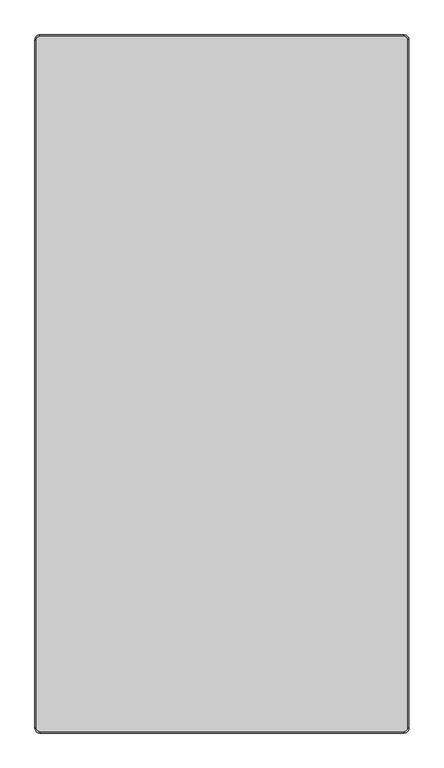
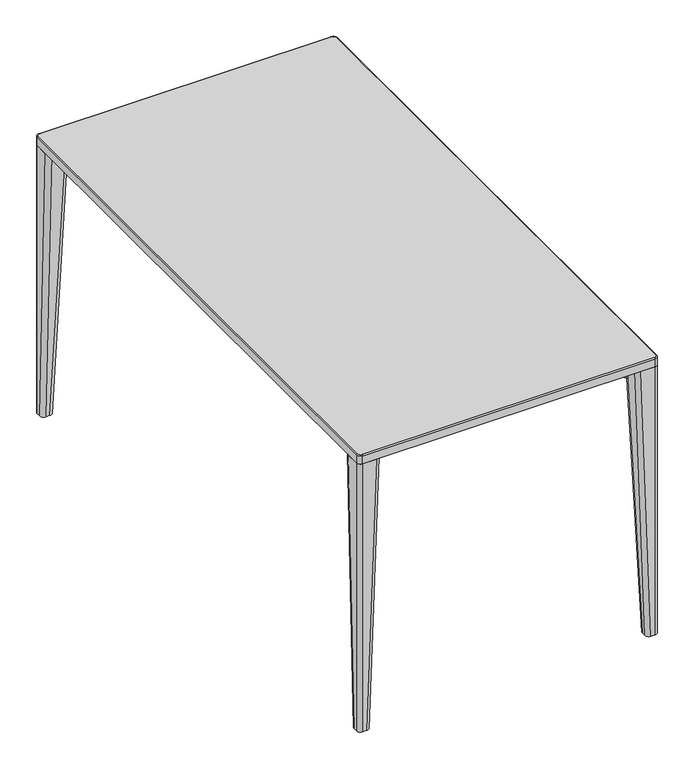
"""IFC4 building model written with IfcOpenShell, lengths in millimetres: furniture geometry."""

from ifc_helpers import new_model, si_unit, point, frame, frame_2d, origin, place, context, project, spatial, polyline, circle_curve, ellipse_curve, trimmed, segment, composite_curve, outline, extrude, source, transform, mapped, element, save
from ifc_brep_helpers import plane_surface, cylinder_surface, revolved_surface, extruded_surface, advanced_brep


def furniture_5aa42dce(model_context):
    return source(origin(), model_context, "Body", "SolidModel", [
        advanced_brep(
        [(-372.0, -690.0, 730.0), (-365.0, -697.0, 730.0), (365.0, -697.0, 730.0), (372.0, -690.0, 730.0), (372.0, 690.0, 730.0), (365.0, 697.0, 730.0), (-365.0, 697.0, 730.0), (-372.0, 690.0, 730.0), (365.0, 700.0, 707.0), (375.0, 690.0, 707.0), (375.0, -690.0, 707.0), (365.0, -700.0, 707.0), (-365.0, -700.0, 707.0), (-375.0, -690.0, 707.0), (-375.0, 690.0, 707.0), (-365.0, 700.0, 707.0), (-230.0, -540.0, 707.0), (-350.0, -540.0, 707.0), (-365.0, -555.0, 707.0), (-365.0, -675.0, 707.0), (-350.0, -690.0, 707.0), (-230.0, -690.0, 707.0), (-215.0, -675.0, 707.0), (-215.0, -555.0, 707.0), (230.0, -540.0, 707.0), (215.0, -555.0, 707.0), (215.0, -675.0, 707.0), (230.0, -690.0, 707.0), (350.0, -690.0, 707.0), (365.0, -675.0, 707.0), (365.0, -555.0, 707.0), (350.0, -540.0, 707.0), (-230.0, 540.0, 707.0), (-215.0, 555.0, 707.0), (-215.0, 675.0, 707.0), (-230.0, 690.0, 707.0), (-350.0, 690.0, 707.0), (-365.0, 675.0, 707.0), (-365.0, 555.0, 707.0), (-350.0, 540.0, 707.0), (230.0, 540.0, 707.0), (350.0, 540.0, 707.0), (365.0, 555.0, 707.0), (365.0, 675.0, 707.0), (350.0, 690.0, 707.0), (230.0, 690.0, 707.0), (215.0, 675.0, 707.0), (215.0, 555.0, 707.0), (-365.0, 700.0, 727.0), (365.0, 700.0, 727.0), (-375.0, -690.0, 727.0000026), (-375.0, 690.0, 727.0), (365.0, -700.0, 727.0), (-365.0, -700.0, 727.0), (375.0, 690.0, 727.0), (375.0, -690.0, 727.0), (-230.0, -540.0, 710.5), (-215.0, -555.0, 710.5), (-215.0, -675.0, 710.5), (-230.0, -690.0, 710.5), (-350.0, -690.0, 710.5), (-365.0, -675.0, 710.5), (-365.0, -555.0, 710.5), (-350.0, -540.0, 710.5), (230.0, -540.0, 710.5), (350.0, -540.0, 710.5), (365.0, -555.0, 710.5), (365.0, -675.0, 710.5), (350.0, -690.0, 710.5), (230.0, -690.0, 710.5), (215.0, -675.0, 710.5), (215.0, -555.0, 710.5), (-230.0, 540.0, 710.5), (-350.0, 540.0, 710.5), (-365.0, 555.0, 710.5), (-365.0, 675.0, 710.5), (-350.0, 690.0, 710.5), (-230.0, 690.0, 710.5), (-215.0, 675.0, 710.5), (-215.0, 555.0, 710.5), (230.0, 540.0, 710.5), (215.0, 555.0, 710.5), (215.0, 675.0, 710.5), (230.0, 690.0, 710.5), (350.0, 690.0, 710.5), (365.0, 675.0, 710.5), (365.0, 555.0, 710.5), (350.0, 540.0, 710.5)],
        [
            (0, 1, circle_curve(frame((-365.0, -690.0, 730.0), z_axis=(0.0, 0.0, 1.0), x_axis=(-1.0, 0.0, 0.0)), 7.0)),
            (1, 2),
            (2, 3, circle_curve(frame((365.0, -690.0, 730.0), z_axis=(0.0, 0.0, 1.0), x_axis=(0.0, -1.0, 0.0)), 7.0)),
            (3, 4),
            (4, 5, circle_curve(frame((365.0, 690.0, 730.0), z_axis=(0.0, 0.0, 1.0), x_axis=(1.0, 0.0, 0.0)), 7.0)),
            (5, 6),
            (6, 7, circle_curve(frame((-365.0, 690.0, 730.0), z_axis=(0.0, 0.0, 1.0), x_axis=(0.0, 1.0, 0.0)), 7.0)),
            (7, 0),
            (8, 9, circle_curve(frame((365.0, 690.0, 707.0), z_axis=(0.0, 0.0, -1.0), x_axis=(1.0, 0.0, 0.0)), 10.0)),
            (9, 10),
            (10, 11, circle_curve(frame((365.0, -690.0, 707.0), z_axis=(0.0, 0.0, -1.0), x_axis=(1.0, 0.0, 0.0)), 10.0)),
            (11, 12),
            (12, 13, circle_curve(frame((-365.0, -690.0, 707.0), z_axis=(0.0, 0.0, -1.0), x_axis=(1.0, 0.0, 0.0)), 10.0)),
            (13, 14),
            (14, 15, circle_curve(frame((-365.0, 690.0, 707.0), z_axis=(0.0, 0.0, -1.0), x_axis=(1.0, 0.0, 0.0)), 10.0)),
            (15, 8),
            (16, 17),
            (17, 18, circle_curve(frame((-350.0, -555.0, 707.0), z_axis=(0.0, 0.0, 1.0), x_axis=(-0.7071067811866044, 0.7071067811864906, 0.0)), 15.0)),
            (18, 19),
            (19, 20, circle_curve(frame((-350.0, -675.0, 707.0), z_axis=(0.0, 0.0, 1.0), x_axis=(-0.7071067811866044, 0.7071067811864906, 0.0)), 15.0)),
            (20, 21),
            (21, 22, circle_curve(frame((-230.0, -675.0, 707.0), z_axis=(0.0, 0.0, 1.0), x_axis=(-0.7071067811866044, 0.7071067811864906, 0.0)), 15.0)),
            (22, 23),
            (23, 16, circle_curve(frame((-230.0, -555.0, 707.0), z_axis=(0.0, 0.0, 1.0), x_axis=(-0.7071067811866044, 0.7071067811864906, 0.0)), 15.0)),
            (24, 25, circle_curve(frame((230.0, -555.0, 707.0), z_axis=(0.0, 0.0, 1.0), x_axis=(-0.7071067811866044, 0.7071067811864906, 0.0)), 15.0)),
            (25, 26),
            (26, 27, circle_curve(frame((230.0, -675.0, 707.0), z_axis=(0.0, 0.0, 1.0), x_axis=(-0.7071067811866044, 0.7071067811864906, 0.0)), 15.0)),
            (27, 28),
            (28, 29, circle_curve(frame((350.0, -675.0, 707.0), z_axis=(0.0, 0.0, 1.0), x_axis=(-0.7071067811866044, 0.7071067811864906, 0.0)), 15.0)),
            (29, 30),
            (30, 31, circle_curve(frame((350.0, -555.0, 707.0), z_axis=(0.0, 0.0, 1.0), x_axis=(-0.7071067811866044, 0.7071067811864906, 0.0)), 15.0)),
            (31, 24),
            (32, 33, circle_curve(frame((-230.0, 555.0, 707.0), z_axis=(0.0, 0.0, 1.0), x_axis=(-0.7071067811866044, 0.7071067811864906, 0.0)), 15.0)),
            (33, 34),
            (34, 35, circle_curve(frame((-230.0, 675.0, 707.0), z_axis=(0.0, 0.0, 1.0), x_axis=(-0.7071067811866044, 0.7071067811864906, 0.0)), 15.0)),
            (35, 36),
            (36, 37, circle_curve(frame((-350.0, 675.0, 707.0), z_axis=(0.0, 0.0, 1.0), x_axis=(-0.7071067811866044, 0.7071067811864906, 0.0)), 15.0)),
            (37, 38),
            (38, 39, circle_curve(frame((-350.0, 555.0, 707.0), z_axis=(0.0, 0.0, 1.0), x_axis=(-0.7071067811866044, 0.7071067811864906, 0.0)), 15.0)),
            (39, 32),
            (40, 41),
            (41, 42, circle_curve(frame((350.0, 555.0, 707.0), z_axis=(0.0, 0.0, 1.0), x_axis=(-0.7071067811866044, 0.7071067811864906, 0.0)), 15.0)),
            (42, 43),
            (43, 44, circle_curve(frame((350.0, 675.0, 707.0), z_axis=(0.0, 0.0, 1.0), x_axis=(-0.7071067811866044, 0.7071067811864906, 0.0)), 15.0)),
            (44, 45),
            (45, 46, circle_curve(frame((230.0, 675.0, 707.0), z_axis=(0.0, 0.0, 1.0), x_axis=(-0.7071067811866044, 0.7071067811864906, 0.0)), 15.0)),
            (46, 47),
            (47, 40, circle_curve(frame((230.0, 555.0, 707.0), z_axis=(0.0, 0.0, 1.0), x_axis=(-0.7071067811866044, 0.7071067811864906, 0.0)), 15.0)),
            (15, 48),
            (48, 49),
            (49, 8),
            (13, 50),
            (50, 51),
            (51, 14),
            (11, 52),
            (52, 53),
            (53, 12),
            (9, 54),
            (54, 55),
            (55, 10),
            (51, 48, circle_curve(frame((-365.0, 690.0, 727.0), z_axis=(0.0, 0.0, -1.0), x_axis=(1.0, 0.0, 0.0)), 10.0)),
            (53, 50, circle_curve(frame((-365.0, -690.0, 727.0), z_axis=(0.0, 0.0, -1.0), x_axis=(1.0, 0.0, 0.0)), 10.0)),
            (55, 52, circle_curve(frame((365.0, -690.0, 727.0), z_axis=(0.0, 0.0, -1.0), x_axis=(1.0, 0.0, 0.0)), 10.0)),
            (49, 54, circle_curve(frame((365.0, 690.0, 727.0), z_axis=(0.0, 0.0, -1.0), x_axis=(1.0, 0.0, 0.0)), 10.0)),
            (53, 1, circle_curve(frame((-365.0, -697.0, 727.0), z_axis=(-1.0, 0.0, 0.0), x_axis=(0.0, 1.0, 0.0)), 3.0)),
            (0, 50, circle_curve(frame((-372.0, -690.0, 727.0), z_axis=(0.0, -1.0, 0.0), x_axis=(1.0, 0.0, 0.0)), 3.0)),
            (52, 2, circle_curve(frame((365.0, -697.0, 727.0), z_axis=(-1.0, 0.0, 0.0), x_axis=(0.0, 1.0, 0.0)), 3.0)),
            (55, 3, circle_curve(frame((372.0, -690.0, 727.0), z_axis=(0.0, -1.0, 0.0), x_axis=(-1.0, 0.0, 0.0)), 3.0)),
            (54, 4, circle_curve(frame((372.0, 690.0, 727.0), z_axis=(0.0, -1.0, 0.0), x_axis=(-1.0, 0.0, 0.0)), 3.0)),
            (49, 5, circle_curve(frame((365.0, 697.0, 727.0), z_axis=(1.0, 0.0, 0.0), x_axis=(0.0, -1.0, 0.0)), 3.0)),
            (48, 6, circle_curve(frame((-365.0, 697.0, 727.0), z_axis=(1.0, 0.0, 0.0), x_axis=(0.0, -1.0, 0.0)), 3.0)),
            (51, 7, circle_curve(frame((-372.0, 690.0, 727.0), z_axis=(0.0, 1.0, 0.0), x_axis=(1.0, 0.0, 0.0)), 3.0)),
            (56, 57, circle_curve(frame((-230.0, -555.0, 710.5), z_axis=(0.0, 0.0, -1.0), x_axis=(-0.7071067811866044, 0.7071067811864906, 0.0)), 15.0)),
            (57, 58),
            (58, 59, circle_curve(frame((-230.0, -675.0, 710.5), z_axis=(0.0, 0.0, -1.0), x_axis=(-0.7071067811866044, 0.7071067811864906, 0.0)), 15.0)),
            (59, 60),
            (60, 61, circle_curve(frame((-350.0, -675.0, 710.5), z_axis=(0.0, 0.0, -1.0), x_axis=(-0.7071067811866044, 0.7071067811864906, 0.0)), 15.0)),
            (61, 62),
            (62, 63, circle_curve(frame((-350.0, -555.0, 710.5), z_axis=(0.0, 0.0, -1.0), x_axis=(-0.7071067811866044, 0.7071067811864906, 0.0)), 15.0)),
            (63, 56),
            (64, 65),
            (65, 66, circle_curve(frame((350.0, -555.0, 710.5), z_axis=(0.0, 0.0, -1.0), x_axis=(-0.7071067811866044, 0.7071067811864906, 0.0)), 15.0)),
            (66, 67),
            (67, 68, circle_curve(frame((350.0, -675.0, 710.5), z_axis=(0.0, 0.0, -1.0), x_axis=(-0.7071067811866044, 0.7071067811864906, 0.0)), 15.0)),
            (68, 69),
            (69, 70, circle_curve(frame((230.0, -675.0, 710.5), z_axis=(0.0, 0.0, -1.0), x_axis=(-0.7071067811866044, 0.7071067811864906, 0.0)), 15.0)),
            (70, 71),
            (71, 64, circle_curve(frame((230.0, -555.0, 710.5), z_axis=(0.0, 0.0, -1.0), x_axis=(-0.7071067811866044, 0.7071067811864906, 0.0)), 15.0)),
            (72, 73),
            (73, 74, circle_curve(frame((-350.0, 555.0, 710.5), z_axis=(0.0, 0.0, -1.0), x_axis=(-0.7071067811866044, 0.7071067811864906, 0.0)), 15.0)),
            (74, 75),
            (75, 76, circle_curve(frame((-350.0, 675.0, 710.5), z_axis=(0.0, 0.0, -1.0), x_axis=(-0.7071067811866044, 0.7071067811864906, 0.0)), 15.0)),
            (76, 77),
            (77, 78, circle_curve(frame((-230.0, 675.0, 710.5), z_axis=(0.0, 0.0, -1.0), x_axis=(-0.7071067811866044, 0.7071067811864906, 0.0)), 15.0)),
            (78, 79),
            (79, 72, circle_curve(frame((-230.0, 555.0, 710.5), z_axis=(0.0, 0.0, -1.0), x_axis=(-0.7071067811866044, 0.7071067811864906, 0.0)), 15.0)),
            (80, 81, circle_curve(frame((230.0, 555.0, 710.5), z_axis=(0.0, 0.0, -1.0), x_axis=(-0.7071067811866044, 0.7071067811864906, 0.0)), 15.0)),
            (81, 82),
            (82, 83, circle_curve(frame((230.0, 675.0, 710.5), z_axis=(0.0, 0.0, -1.0), x_axis=(-0.7071067811866044, 0.7071067811864906, 0.0)), 15.0)),
            (83, 84),
            (84, 85, circle_curve(frame((350.0, 675.0, 710.5), z_axis=(0.0, 0.0, -1.0), x_axis=(-0.7071067811866044, 0.7071067811864906, 0.0)), 15.0)),
            (85, 86),
            (86, 87, circle_curve(frame((350.0, 555.0, 710.5), z_axis=(0.0, 0.0, -1.0), x_axis=(-0.7071067811866044, 0.7071067811864906, 0.0)), 15.0)),
            (87, 80),
            (63, 17),
            (16, 56),
            (62, 18),
            (61, 19),
            (60, 20),
            (59, 21),
            (58, 22),
            (57, 23),
            (71, 25),
            (24, 64),
            (70, 26),
            (69, 27),
            (68, 28),
            (67, 29),
            (66, 30),
            (65, 31),
            (79, 33),
            (32, 72),
            (78, 34),
            (77, 35),
            (76, 36),
            (75, 37),
            (74, 38),
            (73, 39),
            (87, 41),
            (40, 80),
            (86, 42),
            (85, 43),
            (84, 44),
            (83, 45),
            (82, 46),
            (81, 47),
        ],
        [
            plane_surface(frame((-250.0, 700.0, 730.0), z_axis=(0.0, 0.0, 1.0), x_axis=(-1.0, 0.0, 0.0))),
            plane_surface(frame((-250.0, 700.0, 707.0), z_axis=(0.0, 0.0, -1.0), x_axis=(1.0, 0.0, 0.0))),
            plane_surface(frame((365.0, 700.0, 730.0), z_axis=(0.0, 1.0, 0.0), x_axis=(0.0, 0.0, -1.0))),
            plane_surface(frame((-375.0, 690.0, 730.0), z_axis=(-1.0, 0.0, 0.0), x_axis=(0.0, 0.0, -1.0))),
            plane_surface(frame((-365.0, -700.0, 730.0), z_axis=(0.0, -1.0, 0.0), x_axis=(0.0, 0.0, -1.0))),
            plane_surface(frame((375.0, -690.0, 730.0), z_axis=(1.0, 0.0, 0.0), x_axis=(0.0, 0.0, -1.0))),
            cylinder_surface(frame((-365.0, 690.0, 707.0), z_axis=(0.0, 0.0, 1.0), x_axis=(1.0, 0.0, 0.0)), 10.0),
            cylinder_surface(frame((-365.0, -690.0, 707.0), z_axis=(0.0, 0.0, 1.0), x_axis=(1.0, 0.0, 0.0)), 10.0),
            cylinder_surface(frame((365.0, -690.0, 707.0), z_axis=(0.0, 0.0, 1.0), x_axis=(1.0, 0.0, 0.0)), 10.0),
            cylinder_surface(frame((365.0, 690.0, 707.0), z_axis=(0.0, 0.0, 1.0), x_axis=(1.0, 0.0, 0.0)), 10.0),
            revolved_surface(trimmed(ellipse_curve(frame((-372.0, -690.0, 727.0), z_axis=(0.0, 1.0, 0.0), x_axis=(1.0, 0.0, 0.0)), 3.0, 3.0), [point((-375.0, -690.0, 727.0))], [point((-372.0, -690.0, 730.0))], True, "CARTESIAN"), (-365.0, -690.0, 212.565852), (0.0, 0.0, 1.0)),
            cylinder_surface(frame((-365.0, -697.0, 727.0), z_axis=(1.0, 0.0, 0.0), x_axis=(0.0, 1.0, 0.0)), 3.0),
            revolved_surface(trimmed(ellipse_curve(frame((365.0, -697.0, 727.0), z_axis=(-1.0, 0.0, 0.0), x_axis=(0.0, 1.0, 0.0)), 3.0, 3.0), [point((365.0, -700.0, 727.0))], [point((365.0, -697.0, 730.0))], True, "CARTESIAN"), (365.0, -690.0, 212.565852), (0.0, 0.0, 1.0)),
            cylinder_surface(frame((372.0, -690.0, 727.0), z_axis=(0.0, 1.0, 0.0), x_axis=(-1.0, 0.0, 0.0)), 3.0),
            revolved_surface(trimmed(ellipse_curve(frame((372.0, 690.0, 727.0), z_axis=(0.0, -1.0, 0.0), x_axis=(-1.0, 0.0, 0.0)), 3.0, 3.0), [point((375.0, 690.0, 727.0))], [point((372.0, 690.0, 730.0))], True, "CARTESIAN"), (365.0, 690.0, 212.565852), (0.0, 0.0, 1.0)),
            cylinder_surface(frame((365.0, 697.0, 727.0), z_axis=(-1.0, 0.0, 0.0), x_axis=(0.0, -1.0, 0.0)), 3.0),
            revolved_surface(trimmed(ellipse_curve(frame((-365.0, 697.0, 727.0), z_axis=(1.0, 0.0, 0.0), x_axis=(0.0, -1.0, 0.0)), 3.0, 3.0), [point((-365.0, 700.0, 727.0))], [point((-365.0, 697.0, 730.0))], True, "CARTESIAN"), (-365.0, 690.0, 212.565852), (0.0, 0.0, 1.0)),
            cylinder_surface(frame((-372.0, 690.0, 727.0), z_axis=(0.0, -1.0, 0.0), x_axis=(1.0, 0.0, 0.0)), 3.0),
            plane_surface(frame((-325.0, -540.0, 710.5), z_axis=(0.0, 0.0, -1.0), x_axis=(-1.0, 0.0, 0.0))),
            plane_surface(frame((-230.0, -540.0, 710.5), z_axis=(0.0, -1.0, 0.0), x_axis=(0.0, 0.0, -1.0))),
            revolved_surface(polyline([(-360.6066017177991, -544.3933982822026, 710.5), (-360.6066017177991, -544.3933982822026, 707.0)]), (-350.0, -555.0, 689.2243474), (0.0, 0.0, 1.0)),
            plane_surface(frame((-365.0, -555.0, 710.5), z_axis=(1.0, 0.0, 0.0), x_axis=(0.0, 0.0, -1.0))),
            revolved_surface(polyline([(-360.6066017177991, -664.3933982822026, 710.5), (-360.6066017177991, -664.3933982822026, 707.0)]), (-350.0, -675.0, 689.2243474), (0.0, 0.0, 1.0)),
            plane_surface(frame((-350.0, -690.0, 710.5), z_axis=(0.0, 1.0, 0.0), x_axis=(0.0, 0.0, -1.0))),
            revolved_surface(polyline([(-240.60660171779907, -664.3933982822026, 710.5), (-240.60660171779907, -664.3933982822026, 707.0)]), (-230.0, -675.0, 689.2243474), (0.0, 0.0, 1.0)),
            plane_surface(frame((-215.0, -675.0, 710.5), z_axis=(-1.0, 0.0, 0.0), x_axis=(0.0, 0.0, -1.0))),
            revolved_surface(polyline([(-240.60660171779907, -544.3933982822026, 710.5), (-240.60660171779907, -544.3933982822026, 707.0)]), (-230.0, -555.0, 689.2243474), (0.0, 0.0, 1.0)),
            revolved_surface(polyline([(219.39339828220093, -544.3933982822026, 710.5), (219.39339828220093, -544.3933982822026, 707.0)]), (230.0, -555.0, 7.5), (0.0, 0.0, 1.0)),
            plane_surface(frame((215.0, -555.0, 710.5), z_axis=(1.0, 0.0, 0.0), x_axis=(0.0, 0.0, -1.0))),
            revolved_surface(polyline([(219.39339828220093, -664.3933982822026, 710.5), (219.39339828220093, -664.3933982822026, 707.0)]), (230.0, -675.0, 7.5), (0.0, 0.0, 1.0)),
            plane_surface(frame((230.0, -690.0, 710.5), z_axis=(0.0, 1.0, 0.0), x_axis=(0.0, 0.0, -1.0))),
            revolved_surface(polyline([(339.3933982822009, -664.3933982822026, 710.5), (339.3933982822009, -664.3933982822026, 707.0)]), (350.0, -675.0, 7.5), (0.0, 0.0, 1.0)),
            plane_surface(frame((365.0, -675.0, 710.5), z_axis=(-1.0, 0.0, 0.0), x_axis=(0.0, 0.0, -1.0))),
            revolved_surface(polyline([(339.3933982822009, -544.3933982822026, 710.5), (339.3933982822009, -544.3933982822026, 707.0)]), (350.0, -555.0, 7.5), (0.0, 0.0, 1.0)),
            plane_surface(frame((350.0, -540.0, 710.5), z_axis=(0.0, -1.0, 0.0), x_axis=(0.0, 0.0, -1.0))),
            revolved_surface(polyline([(-240.60660171779907, 565.6066017177974, 710.5), (-240.60660171779907, 565.6066017177974, 707.0)]), (-230.0, 555.0, 7.5), (0.0, 0.0, 1.0)),
            plane_surface(frame((-215.0, 555.0, 710.5), z_axis=(-1.0, 0.0, 0.0), x_axis=(0.0, 0.0, -1.0))),
            revolved_surface(polyline([(-240.60660171779907, 685.6066017177974, 710.5), (-240.60660171779907, 685.6066017177974, 707.0)]), (-230.0, 675.0, 7.5), (0.0, 0.0, 1.0)),
            plane_surface(frame((-230.0, 690.0, 710.5), z_axis=(0.0, -1.0, 0.0), x_axis=(0.0, 0.0, -1.0))),
            revolved_surface(polyline([(-360.6066017177991, 685.6066017177974, 710.5), (-360.6066017177991, 685.6066017177974, 707.0)]), (-350.0, 675.0, 7.5), (0.0, 0.0, 1.0)),
            plane_surface(frame((-365.0, 675.0, 710.5), z_axis=(1.0, 0.0, 0.0), x_axis=(0.0, 0.0, -1.0))),
            revolved_surface(polyline([(-360.6066017177991, 565.6066017177974, 710.5), (-360.6066017177991, 565.6066017177974, 707.0)]), (-350.0, 555.0, 7.5), (0.0, 0.0, 1.0)),
            plane_surface(frame((-350.0, 540.0, 710.5), z_axis=(0.0, 1.0, 0.0), x_axis=(0.0, 0.0, -1.0))),
            plane_surface(frame((230.0, 540.0, 710.5), z_axis=(0.0, 1.0, 0.0), x_axis=(0.0, 0.0, -1.0))),
            revolved_surface(polyline([(339.3933982822009, 565.6066017177974, 710.5), (339.3933982822009, 565.6066017177974, 707.0)]), (350.0, 555.0, 7.5), (0.0, 0.0, 1.0)),
            plane_surface(frame((365.0, 555.0, 710.5), z_axis=(-1.0, 0.0, 0.0), x_axis=(0.0, 0.0, -1.0))),
            revolved_surface(polyline([(339.3933982822009, 685.6066017177974, 710.5), (339.3933982822009, 685.6066017177974, 707.0)]), (350.0, 675.0, 7.5), (0.0, 0.0, 1.0)),
            plane_surface(frame((350.0, 690.0, 710.5), z_axis=(0.0, -1.0, 0.0), x_axis=(0.0, 0.0, -1.0))),
            revolved_surface(polyline([(219.39339828220093, 685.6066017177974, 710.5), (219.39339828220093, 685.6066017177974, 707.0)]), (230.0, 675.0, 7.5), (0.0, 0.0, 1.0)),
            plane_surface(frame((215.0, 675.0, 710.5), z_axis=(1.0, 0.0, 0.0), x_axis=(0.0, 0.0, -1.0))),
            revolved_surface(polyline([(219.39339828220093, 565.6066017177974, 710.5), (219.39339828220093, 565.6066017177974, 707.0)]), (230.0, 555.0, 7.5), (0.0, 0.0, 1.0)),
        ],
        [
            (0, [[1, 2, 3, 4, 5, 6, 7, 8]]),
            (1, [[9, 10, 11, 12, 13, 14, 15, 16], [17, 18, 19, 20, 21, 22, 23, 24], [25, 26, 27, 28, 29, 30, 31, 32], [33, 34, 35, 36, 37, 38, 39, 40], [41, 42, 43, 44, 45, 46, 47, 48]]),
            (2, [[-16, 49, 50, 51]]),
            (3, [[-14, 52, 53, 54]]),
            (4, [[-12, 55, 56, 57]]),
            (5, [[-10, 58, 59, 60]]),
            (6, [[-15, -54, 61, -49]]),
            (7, [[-13, -57, 62, -52]]),
            (8, [[-11, -60, 63, -55]]),
            (9, [[-9, -51, 64, -58]]),
            (10, [[65, -1, 66, -62]]),
            (11, [[-65, -56, 67, -2]]),
            (12, [[-67, -63, 68, -3]]),
            (13, [[-68, -59, 69, -4]]),
            (14, [[-69, -64, 70, -5]]),
            (15, [[-70, -50, 71, -6]]),
            (16, [[-71, -61, 72, -7]]),
            (17, [[-66, -8, -72, -53]]),
            (18, [[73, 74, 75, 76, 77, 78, 79, 80]]),
            (18, [[81, 82, 83, 84, 85, 86, 87, 88]]),
            (18, [[89, 90, 91, 92, 93, 94, 95, 96]]),
            (18, [[97, 98, 99, 100, 101, 102, 103, 104]]),
            (19, [[-80, 105, -17, 106]]),
            (20, [[-79, 107, -18, -105]]),
            (21, [[-78, 108, -19, -107]]),
            (22, [[-77, 109, -20, -108]]),
            (23, [[-76, 110, -21, -109]]),
            (24, [[-75, 111, -22, -110]]),
            (25, [[-74, 112, -23, -111]]),
            (26, [[-73, -106, -24, -112]]),
            (27, [[-88, 113, -25, 114]]),
            (28, [[-87, 115, -26, -113]]),
            (29, [[-86, 116, -27, -115]]),
            (30, [[-85, 117, -28, -116]]),
            (31, [[-84, 118, -29, -117]]),
            (32, [[-83, 119, -30, -118]]),
            (33, [[-82, 120, -31, -119]]),
            (34, [[-81, -114, -32, -120]]),
            (35, [[-96, 121, -33, 122]]),
            (36, [[-95, 123, -34, -121]]),
            (37, [[-94, 124, -35, -123]]),
            (38, [[-93, 125, -36, -124]]),
            (39, [[-92, 126, -37, -125]]),
            (40, [[-91, 127, -38, -126]]),
            (41, [[-90, 128, -39, -127]]),
            (42, [[-89, -122, -40, -128]]),
            (43, [[-104, 129, -41, 130]]),
            (44, [[-103, 131, -42, -129]]),
            (45, [[-102, 132, -43, -131]]),
            (46, [[-101, 133, -44, -132]]),
            (47, [[-100, 134, -45, -133]]),
            (48, [[-99, 135, -46, -134]]),
            (49, [[-98, 136, -47, -135]]),
            (50, [[-97, -130, -48, -136]]),
        ],
    ),
        advanced_brep(
        [(365.0000055, 645.0356915, 707.0), (375.0000055, 655.0356915, 707.0), (375.0000055, 690.0356915, 707.0), (365.0000055, 700.0356915, 707.0), (330.0356915, 700.0356915, 707.0), (320.0356915, 690.0356915, 707.0), (320.0356915, 655.0356915, 707.0), (330.0356915, 645.0356915, 707.0), (365.0000055, 669.9286171, 0.0), (354.9286169, 669.9286171, 0.0), (344.9286169, 679.9286171, 0.0), (344.9286169, 690.0356915, 0.0), (354.9286169, 700.0356915, 0.0), (365.0000055, 700.0356915, 0.0), (375.0000055, 690.0356915, 0.0), (375.0000055, 679.9286171, 0.0)],
        [
            (0, 1, circle_curve(frame((365.0000055, 655.0356915, 707.0), z_axis=(0.0, 0.0, 1.0), x_axis=(-1.0, 0.0, 0.0)), 10.0)),
            (1, 2),
            (2, 3, circle_curve(frame((365.0000055, 690.0356915, 707.0), z_axis=(0.0, 0.0, 1.0), x_axis=(0.0, 1.0, 0.0)), 10.0)),
            (3, 4),
            (4, 5, circle_curve(frame((330.0356915, 690.0356915, 707.0), z_axis=(0.0, 0.0, 1.0), x_axis=(-1.0, 0.0, 0.0)), 10.0)),
            (5, 6),
            (6, 7, circle_curve(frame((330.0356915, 655.0356915, 707.0), z_axis=(0.0, 0.0, 1.0), x_axis=(-1.0, 0.0, 0.0)), 10.0)),
            (7, 0),
            (8, 9),
            (9, 10, circle_curve(frame((354.9286169, 679.9286171, 0.0), z_axis=(0.0, 0.0, -1.0), x_axis=(-1.0, 0.0, 0.0)), 10.0)),
            (10, 11),
            (11, 12, circle_curve(frame((354.9286169, 690.0356915, 0.0), z_axis=(0.0, 0.0, -1.0), x_axis=(-1.0, 0.0, 0.0)), 10.0)),
            (12, 13),
            (13, 14, circle_curve(frame((365.0000055, 690.0356915, 0.0), z_axis=(0.0, 0.0, -1.0), x_axis=(0.0, 1.0, 0.0)), 10.0)),
            (14, 15),
            (15, 8, circle_curve(frame((365.0000055, 679.9286171, 0.0), z_axis=(0.0, 0.0, -1.0), x_axis=(-1.0, 0.0, 0.0)), 10.0)),
            (15, 1),
            (0, 8),
            (14, 2),
            (13, 3),
            (12, 4),
            (11, 5),
            (9, 7),
            (6, 10),
        ],
        [
            plane_surface(frame((347.5178485, 672.5356915, 707.0), z_axis=(0.0, 0.0, 1.0), x_axis=(1.0, 0.0, 0.0))),
            plane_surface(frame((359.9643112, 684.9821543, 0.0), z_axis=(0.0, 0.0, -1.0), x_axis=(1.0, 0.0, 0.0))),
            extruded_surface(trimmed(circle_curve(frame((365.0000055, 679.9286171, 0.0), z_axis=(0.0, 0.0, 1.0), x_axis=(-1.0, 0.0, 0.0)), 10.0), [point((365.0000055, 669.9286171, 0.0))], [point((375.0000055, 679.9286171, 0.0))], True, "CARTESIAN"), (0.0, -24.892925600000012, 707.0), 707.4380946379175),
            plane_surface(frame((375.0000055, 684.9821543, 0.0), z_axis=(1.0, 0.0, 0.0), x_axis=(0.0, 1.0, 0.0))),
            cylinder_surface(frame((365.0000055, 690.0356915, 0.0), z_axis=(0.0, 0.0, 1.0), x_axis=(0.0, 1.0, 0.0)), 10.0),
            plane_surface(frame((359.9643112, 700.0356915, 0.0), z_axis=(0.0, 1.0, 0.0), x_axis=(-1.0, 0.0, 0.0))),
            extruded_surface(trimmed(circle_curve(frame((354.9286169, 690.0356915, 0.0), z_axis=(0.0, 0.0, 1.0), x_axis=(-1.0, 0.0, 0.0)), 10.0), [point((354.9286169, 700.0356915, 0.0))], [point((344.9286169, 690.0356915, 0.0))], True, "CARTESIAN"), (-24.892925400000024, 0.0, 707.0), 707.4380946308801),
            extruded_surface(trimmed(circle_curve(frame((354.9286169, 679.9286171, 0.0), z_axis=(0.0, 0.0, 1.0), x_axis=(-1.0, 0.0, 0.0)), 10.0), [point((344.9286169, 679.9286171, 0.0))], [point((354.9286169, 669.9286171, 0.0))], True, "CARTESIAN"), (-24.892925400000024, -24.892925600000012, 707.0), 707.8759181381275),
            plane_surface(frame((359.9643112, 669.9286171, 0.0), z_axis=(0.0, -0.999380730780297, -0.03518742595075023), x_axis=(1.0, 0.0, 0.0))),
            plane_surface(frame((344.9286169, 684.9821543, 0.0), z_axis=(-0.9993807307883155, 0.0, -0.035187425723012825), x_axis=(0.0, -1.0, 0.0))),
        ],
        [
            (0, [[1, 2, 3, 4, 5, 6, 7, 8]]),
            (1, [[9, 10, 11, 12, 13, 14, 15, 16]]),
            (2, [[-16, 17, -1, 18]]),
            (3, [[-15, 19, -2, -17]]),
            (4, [[-14, 20, -3, -19]]),
            (5, [[-13, 21, -4, -20]]),
            (6, [[-12, 22, -5, -21]]),
            (7, [[-10, 23, -7, 24]]),
            (8, [[-9, -18, -8, -23]]),
            (9, [[-11, -24, -6, -22]]),
        ],
    ),
        extrude(outline(composite_curve([segment(polyline([(-8.2207438, 0.0), (9.7379156, -5.5739147), (-4.0458607, -49.9840207), (-152.5023794, -3.9068632), (-151.7265313, -1.4071494)]), True, "CONTINUOUS"), segment(trimmed(circle_curve(frame_2d((-149.8164193, -1.9999999)), 2.0), [point((-151.7265313, -1.4071494))], [point((-149.8164194, 1e-07))], False, "CARTESIAN"), True, "CONTINUOUS"), segment(polyline([(-149.8164194, 1e-07), (-8.2207438, 0.0)]), True, "CONTINUOUS")], self_intersect=False)), frame((332.1766448, 653.6411109, 658.0631636), z_axis=(-0.7071067811865487, 0.7071067811865465, 0.0), x_axis=(0.6753266037234035, 0.6753266037234056, -0.2964252968402384)), (0.0, 0.0, 1.0), 5.0),
        extrude(outline(composite_curve([segment(trimmed(circle_curve(frame_2d((230.0, 555.0)), 15.0), [point((230.0, 540.0))], [point((215.0, 555.0))], False, "CARTESIAN"), True, "CONTINUOUS"), segment(polyline([(215.0, 555.0), (215.0, 675.0)]), True, "CONTINUOUS"), segment(trimmed(circle_curve(frame_2d((230.0, 675.0)), 15.0), [point((215.0, 675.0))], [point((230.0, 690.0))], False, "CARTESIAN"), True, "CONTINUOUS"), segment(polyline([(230.0, 690.0), (350.0, 690.0)]), True, "CONTINUOUS"), segment(trimmed(circle_curve(frame_2d((350.0, 675.0)), 15.0), [point((350.0, 690.0))], [point((365.0, 675.0))], False, "CARTESIAN"), True, "CONTINUOUS"), segment(polyline([(365.0, 675.0), (365.0, 555.0)]), True, "CONTINUOUS"), segment(trimmed(circle_curve(frame_2d((350.0, 555.0)), 15.0), [point((365.0, 555.0))], [point((350.0, 540.0))], False, "CARTESIAN"), True, "CONTINUOUS"), segment(polyline([(350.0, 540.0), (230.0, 540.0)]), True, "CONTINUOUS")], self_intersect=False)), frame((0.0, 0.0, 707.0), z_axis=(0.0, 0.0, 1.0), x_axis=(1.0, 0.0, 0.0)), (0.0, 0.0, 1.0), 3.5),
        advanced_brep(
        [(-365.0000055, 645.0356915, 707.0), (-330.0356915, 645.0356915, 707.0), (-320.0356915, 655.0356915, 707.0), (-320.0356915, 690.0356915, 707.0), (-330.0356915, 700.0356915, 707.0), (-365.0000055, 700.0356915, 707.0), (-375.0000055, 690.0356915, 707.0), (-375.0000055, 655.0356915, 707.0), (-365.0000055, 669.9286171, 0.0), (-375.0000055, 679.9286171, 0.0), (-375.0000055, 690.0356915, 0.0), (-365.0000055, 700.0356915, 0.0), (-354.9286169, 700.0356915, 0.0), (-344.9286169, 690.0356915, 0.0), (-344.9286169, 679.9286171, 0.0), (-354.9286169, 669.9286171, 0.0)],
        [
            (0, 1),
            (1, 2, circle_curve(frame((-330.0356915, 655.0356915, 707.0), z_axis=(0.0, 0.0, 1.0), x_axis=(1.0, 0.0, 0.0)), 10.0)),
            (2, 3),
            (3, 4, circle_curve(frame((-330.0356915, 690.0356915, 707.0), z_axis=(0.0, 0.0, 1.0), x_axis=(1.0, 0.0, 0.0)), 10.0)),
            (4, 5),
            (5, 6, circle_curve(frame((-365.0000055, 690.0356915, 707.0), z_axis=(0.0, 0.0, 1.0), x_axis=(-1.0, 0.0, 0.0)), 10.0)),
            (6, 7),
            (7, 0, circle_curve(frame((-365.0000055, 655.0356915, 707.0), z_axis=(0.0, 0.0, 1.0), x_axis=(1.0, 0.0, 0.0)), 10.0)),
            (8, 9, circle_curve(frame((-365.0000055, 679.9286171, 0.0), z_axis=(0.0, 0.0, -1.0), x_axis=(1.0, 0.0, 0.0)), 10.0)),
            (9, 10),
            (10, 11, circle_curve(frame((-365.0000055, 690.0356915, 0.0), z_axis=(0.0, 0.0, -1.0), x_axis=(-1.0, 0.0, 0.0)), 10.0)),
            (11, 12),
            (12, 13, circle_curve(frame((-354.9286169, 690.0356915, 0.0), z_axis=(0.0, 0.0, -1.0), x_axis=(1.0, 0.0, 0.0)), 10.0)),
            (13, 14),
            (14, 15, circle_curve(frame((-354.9286169, 679.9286171, 0.0), z_axis=(0.0, 0.0, -1.0), x_axis=(1.0, 0.0, 0.0)), 10.0)),
            (15, 8),
            (8, 0),
            (7, 9),
            (6, 10),
            (5, 11),
            (4, 12),
            (3, 13),
            (14, 2),
            (1, 15),
        ],
        [
            plane_surface(frame((-347.5178485, 672.5356915, 707.0), z_axis=(0.0, 0.0, 1.0), x_axis=(1.0, 0.0, 0.0))),
            plane_surface(frame((-359.9643112, 684.9821543, 0.0), z_axis=(0.0, 0.0, -1.0), x_axis=(1.0, 0.0, 0.0))),
            extruded_surface(trimmed(circle_curve(frame((-365.0000055, 679.9286171, 0.0), z_axis=(0.0, 0.0, 1.0), x_axis=(1.0, 0.0, 0.0)), 10.0), [point((-375.0000055, 679.9286171, 0.0))], [point((-365.0000055, 669.9286171, 0.0))], True, "CARTESIAN"), (0.0, -24.892925600000012, 707.0), 707.4380946379175),
            plane_surface(frame((-375.0000055, 684.9821543, 0.0), z_axis=(-1.0, 0.0, 0.0), x_axis=(0.0, -1.0, 0.0))),
            cylinder_surface(frame((-365.0000055, 690.0356915, 0.0), z_axis=(0.0, 0.0, 1.0), x_axis=(-1.0, 0.0, 0.0)), 10.0),
            plane_surface(frame((-359.9643112, 700.0356915, 0.0), z_axis=(0.0, 1.0, 0.0), x_axis=(-1.0, 0.0, 0.0))),
            extruded_surface(trimmed(circle_curve(frame((-354.9286169, 690.0356915, 0.0), z_axis=(0.0, 0.0, 1.0), x_axis=(1.0, 0.0, 0.0)), 10.0), [point((-344.9286169, 690.0356915, 0.0))], [point((-354.9286169, 700.0356915, 0.0))], True, "CARTESIAN"), (24.892925400000024, 0.0, 707.0), 707.4380946308801),
            extruded_surface(trimmed(circle_curve(frame((-354.9286169, 679.9286171, 0.0), z_axis=(0.0, 0.0, 1.0), x_axis=(1.0, 0.0, 0.0)), 10.0), [point((-354.9286169, 669.9286171, 0.0))], [point((-344.9286169, 679.9286171, 0.0))], True, "CARTESIAN"), (24.892925400000024, -24.892925600000012, 707.0), 707.8759181381275),
            plane_surface(frame((-359.9643112, 669.9286171, 0.0), z_axis=(0.0, -0.999380730780297, -0.03518742595075023), x_axis=(1.0, 0.0, 0.0))),
            plane_surface(frame((-344.9286169, 684.9821543, 0.0), z_axis=(0.9993807307883155, 0.0, -0.035187425723012825), x_axis=(0.0, 1.0, 0.0))),
        ],
        [
            (0, [[1, 2, 3, 4, 5, 6, 7, 8]]),
            (1, [[9, 10, 11, 12, 13, 14, 15, 16]]),
            (2, [[-9, 17, -8, 18]]),
            (3, [[-10, -18, -7, 19]]),
            (4, [[-11, -19, -6, 20]]),
            (5, [[-12, -20, -5, 21]]),
            (6, [[-13, -21, -4, 22]]),
            (7, [[-15, 23, -2, 24]]),
            (8, [[-16, -24, -1, -17]]),
            (9, [[-14, -22, -3, -23]]),
        ],
    ),
        extrude(outline(composite_curve([segment(polyline([(18.8037755, 0.0), (154.035581, -41.9725401)]), True, "CONTINUOUS"), segment(trimmed(circle_curve(frame_2d((153.4427304, -43.8826522)), 2.0), [point((154.035581, -41.9725401))], [point((155.4427303, -43.8826522))], False, "CARTESIAN"), True, "CONTINUOUS"), segment(polyline([(155.4427303, -43.8826522), (155.4427303, -46.5), (0.0, -46.5), (0.0, 0.0), (18.8037755, 0.0)]), True, "CONTINUOUS")], self_intersect=False)), frame((-339.921235, 661.3857011, 660.5), z_axis=(0.7071067811865487, 0.7071067811865464, 0.0), x_axis=(0.7071067811865464, -0.7071067811865487, 0.0)), (0.0, 0.0, 1.0), 5.0),
        extrude(outline(composite_curve([segment(polyline([(-230.0, 540.0), (-350.0, 540.0)]), True, "CONTINUOUS"), segment(trimmed(circle_curve(frame_2d((-350.0, 555.0)), 15.0), [point((-350.0, 540.0))], [point((-365.0, 555.0))], False, "CARTESIAN"), True, "CONTINUOUS"), segment(polyline([(-365.0, 555.0), (-365.0, 675.0)]), True, "CONTINUOUS"), segment(trimmed(circle_curve(frame_2d((-350.0, 675.0)), 15.0), [point((-365.0, 675.0))], [point((-350.0, 690.0))], False, "CARTESIAN"), True, "CONTINUOUS"), segment(polyline([(-350.0, 690.0), (-230.0, 690.0)]), True, "CONTINUOUS"), segment(trimmed(circle_curve(frame_2d((-230.0, 675.0)), 15.0), [point((-230.0, 690.0))], [point((-215.0, 675.0))], False, "CARTESIAN"), True, "CONTINUOUS"), segment(polyline([(-215.0, 675.0), (-215.0, 555.0)]), True, "CONTINUOUS"), segment(trimmed(circle_curve(frame_2d((-230.0, 555.0)), 15.0), [point((-215.0, 555.0))], [point((-230.0, 540.0))], False, "CARTESIAN"), True, "CONTINUOUS")], self_intersect=False)), frame((0.0, 0.0, 707.0), z_axis=(0.0, 0.0, 1.0), x_axis=(1.0, 0.0, 0.0)), (0.0, 0.0, 1.0), 3.5),
        advanced_brep(
        [(365.0000055, -645.0356915, 707.0), (330.0356915, -645.0356915, 707.0), (320.0356915, -655.0356915, 707.0), (320.0356915, -690.0356915, 707.0), (330.0356915, -700.0356915, 707.0), (365.0000055, -700.0356915, 707.0), (375.0000055, -690.0356915, 707.0), (375.0000055, -655.0356915, 707.0), (365.0000055, -669.9286171, 0.0), (375.0000055, -679.9286171, 0.0), (375.0000055, -690.0356915, 0.0), (365.0000055, -700.0356915, 0.0), (354.9286169, -700.0356915, 0.0), (344.9286169, -690.0356915, 0.0), (344.9286169, -679.9286171, 0.0), (354.9286169, -669.9286171, 0.0)],
        [
            (0, 1),
            (1, 2, circle_curve(frame((330.0356915, -655.0356915, 707.0), z_axis=(0.0, 0.0, 1.0), x_axis=(-1.0, 0.0, 0.0)), 10.0)),
            (2, 3),
            (3, 4, circle_curve(frame((330.0356915, -690.0356915, 707.0), z_axis=(0.0, 0.0, 1.0), x_axis=(-1.0, 0.0, 0.0)), 10.0)),
            (4, 5),
            (5, 6, circle_curve(frame((365.0000055, -690.0356915, 707.0), z_axis=(0.0, 0.0, 1.0), x_axis=(1.0, 0.0, 0.0)), 10.0)),
            (6, 7),
            (7, 0, circle_curve(frame((365.0000055, -655.0356915, 707.0), z_axis=(0.0, 0.0, 1.0), x_axis=(-1.0, 0.0, 0.0)), 10.0)),
            (8, 9, circle_curve(frame((365.0000055, -679.9286171, 0.0), z_axis=(0.0, 0.0, -1.0), x_axis=(-1.0, 0.0, 0.0)), 10.0)),
            (9, 10),
            (10, 11, circle_curve(frame((365.0000055, -690.0356915, 0.0), z_axis=(0.0, 0.0, -1.0), x_axis=(1.0, 0.0, 0.0)), 10.0)),
            (11, 12),
            (12, 13, circle_curve(frame((354.9286169, -690.0356915, 0.0), z_axis=(0.0, 0.0, -1.0), x_axis=(-1.0, 0.0, 0.0)), 10.0)),
            (13, 14),
            (14, 15, circle_curve(frame((354.9286169, -679.9286171, 0.0), z_axis=(0.0, 0.0, -1.0), x_axis=(-1.0, 0.0, 0.0)), 10.0)),
            (15, 8),
            (8, 0),
            (7, 9),
            (6, 10),
            (5, 11),
            (4, 12),
            (3, 13),
            (14, 2),
            (1, 15),
        ],
        [
            plane_surface(frame((347.5178485, -672.5356915, 707.0), z_axis=(0.0, 0.0, 1.0), x_axis=(-1.0, 0.0, 0.0))),
            plane_surface(frame((359.9643112, -684.9821543, 0.0), z_axis=(0.0, 0.0, -1.0), x_axis=(-1.0, 0.0, 0.0))),
            extruded_surface(trimmed(circle_curve(frame((365.0000055, -679.9286171, 0.0), z_axis=(0.0, 0.0, 1.0), x_axis=(-1.0, 0.0, 0.0)), 10.0), [point((375.0000055, -679.9286171, 0.0))], [point((365.0000055, -669.9286171, 0.0))], True, "CARTESIAN"), (0.0, 24.892925600000012, 707.0), 707.4380946379175),
            plane_surface(frame((375.0000055, -684.9821543, 0.0), z_axis=(1.0, 0.0, 0.0), x_axis=(0.0, 1.0, 0.0))),
            cylinder_surface(frame((365.0000055, -690.0356915, 0.0), z_axis=(0.0, 0.0, 1.0), x_axis=(1.0, 0.0, 0.0)), 10.0),
            plane_surface(frame((359.9643112, -700.0356915, 0.0), z_axis=(0.0, -1.0, 0.0), x_axis=(1.0, 0.0, 0.0))),
            extruded_surface(trimmed(circle_curve(frame((354.9286169, -690.0356915, 0.0), z_axis=(0.0, 0.0, 1.0), x_axis=(-1.0, 0.0, 0.0)), 10.0), [point((344.9286169, -690.0356915, 0.0))], [point((354.9286169, -700.0356915, 0.0))], True, "CARTESIAN"), (-24.892925400000024, 0.0, 707.0), 707.4380946308801),
            extruded_surface(trimmed(circle_curve(frame((354.9286169, -679.9286171, 0.0), z_axis=(0.0, 0.0, 1.0), x_axis=(-1.0, 0.0, 0.0)), 10.0), [point((354.9286169, -669.9286171, 0.0))], [point((344.9286169, -679.9286171, 0.0))], True, "CARTESIAN"), (-24.892925400000024, 24.892925600000012, 707.0), 707.8759181381275),
            plane_surface(frame((359.9643112, -669.9286171, 0.0), z_axis=(0.0, 0.999380730780297, -0.03518742595075023), x_axis=(-1.0, 0.0, 0.0))),
            plane_surface(frame((344.9286169, -684.9821543, 0.0), z_axis=(-0.9993807307883155, 0.0, -0.035187425723012825), x_axis=(0.0, -1.0, 0.0))),
        ],
        [
            (0, [[1, 2, 3, 4, 5, 6, 7, 8]]),
            (1, [[9, 10, 11, 12, 13, 14, 15, 16]]),
            (2, [[-9, 17, -8, 18]]),
            (3, [[-10, -18, -7, 19]]),
            (4, [[-11, -19, -6, 20]]),
            (5, [[-12, -20, -5, 21]]),
            (6, [[-13, -21, -4, 22]]),
            (7, [[-15, 23, -2, 24]]),
            (8, [[-16, -24, -1, -17]]),
            (9, [[-14, -22, -3, -23]]),
        ],
    ),
        extrude(outline(composite_curve([segment(polyline([(-18.8037755, 0.0), (0.0, 0.0), (0.0, -46.5), (-155.4427303, -46.5), (-155.4427303, -43.8826522)]), True, "CONTINUOUS"), segment(trimmed(circle_curve(frame_2d((-153.4427304, -43.8826522)), 2.0), [point((-155.4427303, -43.8826522))], [point((-154.035581, -41.9725401))], False, "CARTESIAN"), True, "CONTINUOUS"), segment(polyline([(-154.035581, -41.9725401), (-18.8037755, 0.0)]), True, "CONTINUOUS")], self_intersect=False)), frame((336.3857011, -664.921235, 660.5), z_axis=(0.7071067811865487, 0.7071067811865464, 0.0), x_axis=(0.7071067811865464, -0.7071067811865487, 0.0)), (0.0, 0.0, 1.0), 5.0),
        extrude(outline(composite_curve([segment(polyline([(230.0, -540.0), (350.0, -540.0)]), True, "CONTINUOUS"), segment(trimmed(circle_curve(frame_2d((350.0, -555.0)), 15.0), [point((350.0, -540.0))], [point((365.0, -555.0))], False, "CARTESIAN"), True, "CONTINUOUS"), segment(polyline([(365.0, -555.0), (365.0, -675.0)]), True, "CONTINUOUS"), segment(trimmed(circle_curve(frame_2d((350.0, -675.0)), 15.0), [point((365.0, -675.0))], [point((350.0, -690.0))], False, "CARTESIAN"), True, "CONTINUOUS"), segment(polyline([(350.0, -690.0), (230.0, -690.0)]), True, "CONTINUOUS"), segment(trimmed(circle_curve(frame_2d((230.0, -675.0)), 15.0), [point((230.0, -690.0))], [point((215.0, -675.0))], False, "CARTESIAN"), True, "CONTINUOUS"), segment(polyline([(215.0, -675.0), (215.0, -555.0)]), True, "CONTINUOUS"), segment(trimmed(circle_curve(frame_2d((230.0, -555.0)), 15.0), [point((215.0, -555.0))], [point((230.0, -540.0))], False, "CARTESIAN"), True, "CONTINUOUS")], self_intersect=False)), frame((0.0, 0.0, 707.0), z_axis=(0.0, 0.0, 1.0), x_axis=(1.0, 0.0, 0.0)), (0.0, 0.0, 1.0), 3.5),
        advanced_brep(
        [(-365.0000055, -645.0356915, 707.0), (-375.0000055, -655.0356915, 707.0), (-375.0000055, -690.0356915, 707.0), (-365.0000055, -700.0356915, 707.0), (-330.0356915, -700.0356915, 707.0), (-320.0356915, -690.0356915, 707.0), (-320.0356915, -655.0356915, 707.0), (-330.0356915, -645.0356915, 707.0), (-365.0000055, -669.9286171, 0.0), (-354.9286169, -669.9286171, 0.0), (-344.9286169, -679.9286171, 0.0), (-344.9286169, -690.0356915, 0.0), (-354.9286169, -700.0356915, 0.0), (-365.0000055, -700.0356915, 0.0), (-375.0000055, -690.0356915, 0.0), (-375.0000055, -679.9286171, 0.0)],
        [
            (0, 1, circle_curve(frame((-365.0000055, -655.0356915, 707.0), z_axis=(0.0, 0.0, 1.0), x_axis=(1.0, 0.0, 0.0)), 10.0)),
            (1, 2),
            (2, 3, circle_curve(frame((-365.0000055, -690.0356915, 707.0), z_axis=(0.0, 0.0, 1.0), x_axis=(0.0, -1.0, 0.0)), 10.0)),
            (3, 4),
            (4, 5, circle_curve(frame((-330.0356915, -690.0356915, 707.0), z_axis=(0.0, 0.0, 1.0), x_axis=(1.0, 0.0, 0.0)), 10.0)),
            (5, 6),
            (6, 7, circle_curve(frame((-330.0356915, -655.0356915, 707.0), z_axis=(0.0, 0.0, 1.0), x_axis=(1.0, 0.0, 0.0)), 10.0)),
            (7, 0),
            (8, 9),
            (9, 10, circle_curve(frame((-354.9286169, -679.9286171, 0.0), z_axis=(0.0, 0.0, -1.0), x_axis=(1.0, 0.0, 0.0)), 10.0)),
            (10, 11),
            (11, 12, circle_curve(frame((-354.9286169, -690.0356915, 0.0), z_axis=(0.0, 0.0, -1.0), x_axis=(1.0, 0.0, 0.0)), 10.0)),
            (12, 13),
            (13, 14, circle_curve(frame((-365.0000055, -690.0356915, 0.0), z_axis=(0.0, 0.0, -1.0), x_axis=(0.0, -1.0, 0.0)), 10.0)),
            (14, 15),
            (15, 8, circle_curve(frame((-365.0000055, -679.9286171, 0.0), z_axis=(0.0, 0.0, -1.0), x_axis=(1.0, 0.0, 0.0)), 10.0)),
            (15, 1),
            (0, 8),
            (14, 2),
            (13, 3),
            (12, 4),
            (11, 5),
            (9, 7),
            (6, 10),
        ],
        [
            plane_surface(frame((-347.5178485, -672.5356915, 707.0), z_axis=(0.0, 0.0, 1.0), x_axis=(-1.0, 0.0, 0.0))),
            plane_surface(frame((-359.9643112, -684.9821543, 0.0), z_axis=(0.0, 0.0, -1.0), x_axis=(-1.0, 0.0, 0.0))),
            extruded_surface(trimmed(circle_curve(frame((-365.0000055, -679.9286171, 0.0), z_axis=(0.0, 0.0, 1.0), x_axis=(1.0, 0.0, 0.0)), 10.0), [point((-365.0000055, -669.9286171, 0.0))], [point((-375.0000055, -679.9286171, 0.0))], True, "CARTESIAN"), (0.0, 24.892925600000012, 707.0), 707.4380946379175),
            plane_surface(frame((-375.0000055, -684.9821543, 0.0), z_axis=(-1.0, 0.0, 0.0), x_axis=(0.0, -1.0, 0.0))),
            cylinder_surface(frame((-365.0000055, -690.0356915, 0.0), z_axis=(0.0, 0.0, 1.0), x_axis=(0.0, -1.0, 0.0)), 10.0),
            plane_surface(frame((-359.9643112, -700.0356915, 0.0), z_axis=(0.0, -1.0, 0.0), x_axis=(1.0, 0.0, 0.0))),
            extruded_surface(trimmed(circle_curve(frame((-354.9286169, -690.0356915, 0.0), z_axis=(0.0, 0.0, 1.0), x_axis=(1.0, 0.0, 0.0)), 10.0), [point((-354.9286169, -700.0356915, 0.0))], [point((-344.9286169, -690.0356915, 0.0))], True, "CARTESIAN"), (24.892925400000024, 0.0, 707.0), 707.4380946308801),
            extruded_surface(trimmed(circle_curve(frame((-354.9286169, -679.9286171, 0.0), z_axis=(0.0, 0.0, 1.0), x_axis=(1.0, 0.0, 0.0)), 10.0), [point((-344.9286169, -679.9286171, 0.0))], [point((-354.9286169, -669.9286171, 0.0))], True, "CARTESIAN"), (24.892925400000024, 24.892925600000012, 707.0), 707.8759181381275),
            plane_surface(frame((-359.9643112, -669.9286171, 0.0), z_axis=(0.0, 0.999380730780297, -0.03518742595075023), x_axis=(-1.0, 0.0, 0.0))),
            plane_surface(frame((-344.9286169, -684.9821543, 0.0), z_axis=(0.9993807307883155, 0.0, -0.035187425723012825), x_axis=(0.0, 1.0, 0.0))),
        ],
        [
            (0, [[1, 2, 3, 4, 5, 6, 7, 8]]),
            (1, [[9, 10, 11, 12, 13, 14, 15, 16]]),
            (2, [[-16, 17, -1, 18]]),
            (3, [[-15, 19, -2, -17]]),
            (4, [[-14, 20, -3, -19]]),
            (5, [[-13, 21, -4, -20]]),
            (6, [[-12, 22, -5, -21]]),
            (7, [[-10, 23, -7, 24]]),
            (8, [[-9, -18, -8, -23]]),
            (9, [[-11, -24, -6, -22]]),
        ],
    ),
        extrude(outline(composite_curve([segment(polyline([(8.2207438, 0.0), (149.8164194, 1e-07)]), True, "CONTINUOUS"), segment(trimmed(circle_curve(frame_2d((149.8164193, -1.9999999)), 2.0), [point((149.8164194, 1e-07))], [point((151.7265313, -1.4071494))], False, "CARTESIAN"), True, "CONTINUOUS"), segment(polyline([(151.7265313, -1.4071494), (152.5023794, -3.9068632), (4.0458607, -49.9840207), (-9.7379156, -5.5739147), (8.2207438, 0.0)]), True, "CONTINUOUS")], self_intersect=False)), frame((-328.6411109, -657.1766448, 658.0631636), z_axis=(-0.7071067811865487, 0.7071067811865465, 0.0), x_axis=(0.6753266037234036, 0.6753266037234056, 0.29642529684023833)), (0.0, 0.0, 1.0), 5.0),
        extrude(outline(composite_curve([segment(trimmed(circle_curve(frame_2d((-230.0, -555.0)), 15.0), [point((-230.0, -540.0))], [point((-215.0, -555.0))], False, "CARTESIAN"), True, "CONTINUOUS"), segment(polyline([(-215.0, -555.0), (-215.0, -675.0)]), True, "CONTINUOUS"), segment(trimmed(circle_curve(frame_2d((-230.0, -675.0)), 15.0), [point((-215.0, -675.0))], [point((-230.0, -690.0))], False, "CARTESIAN"), True, "CONTINUOUS"), segment(polyline([(-230.0, -690.0), (-350.0, -690.0)]), True, "CONTINUOUS"), segment(trimmed(circle_curve(frame_2d((-350.0, -675.0)), 15.0), [point((-350.0, -690.0))], [point((-365.0, -675.0))], False, "CARTESIAN"), True, "CONTINUOUS"), segment(polyline([(-365.0, -675.0), (-365.0, -555.0)]), True, "CONTINUOUS"), segment(trimmed(circle_curve(frame_2d((-350.0, -555.0)), 15.0), [point((-365.0, -555.0))], [point((-350.0, -540.0))], False, "CARTESIAN"), True, "CONTINUOUS"), segment(polyline([(-350.0, -540.0), (-230.0, -540.0)]), True, "CONTINUOUS")], self_intersect=False)), frame((0.0, 0.0, 707.0), z_axis=(0.0, 0.0, 1.0), x_axis=(1.0, 0.0, 0.0)), (0.0, 0.0, 1.0), 3.5),
    ])


if __name__ == "__main__":
    model = new_model("IFC4")
    model_context = context("Model", 3, world=origin())
    ifc_project = project(units=[si_unit("LENGTHUNIT", "METRE", prefix="MILLI")], contexts=[model_context])
    site = spatial("IfcSite", under=ifc_project)
    building = spatial("IfcBuilding", under=site)
    placement = place(None, origin())
    furniture_shape = furniture_5aa42dce(model_context)
    element("IfcFurniture", 1, at=placement, inside=building, context=model_context, shape_type="MappedRepresentation", body=[
        mapped(furniture_shape, transform((0.0, 0.0, 0.0), x_axis=(1.0, 0.0, 0.0), y_axis=(0.0, 1.0, 0.0), z_axis=(0.0, 0.0, 1.0))),
    ])
    save(model, "model.ifc")
